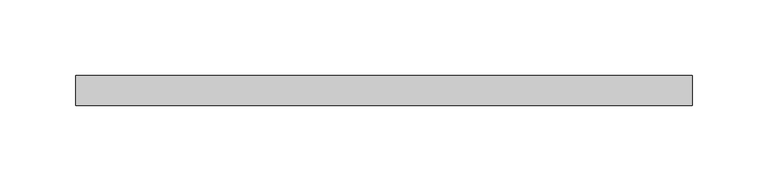
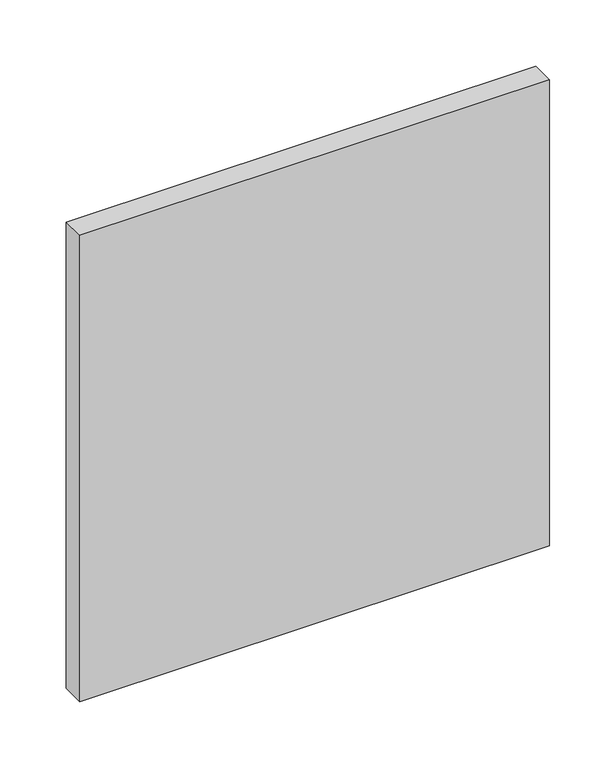
"""IFC4 building model written with IfcOpenShell, lengths in millimetres: plate geometry."""

from ifc_helpers import new_model, si_unit, origin, origin_with_axes, place, context, project, spatial, polyline, outline, extrude, source, transform, mapped, element, save


def plate_0862145d(model_context):
    return source(origin(), model_context, "Body", "SweptSolid", [
        extrude(outline(polyline([(204.1666667, -90.0), (-204.1666667, -90.0), (-204.1666667, -70.0), (204.1666667, -70.0), (204.1666667, -90.0)])), origin_with_axes(), (0.0, 0.0, 1.0), 428.3552083),
    ])


if __name__ == "__main__":
    model = new_model("IFC4")
    model_context = context("Model", 3, world=origin())
    ifc_project = project(units=[si_unit("LENGTHUNIT", "METRE", prefix="MILLI")], contexts=[model_context])
    site = spatial("IfcSite", under=ifc_project)
    building = spatial("IfcBuilding", under=site)
    placement = place(None, origin())
    plate_shape = plate_0862145d(model_context)
    element("IfcPlate", 1, at=placement, inside=building, context=model_context, shape_type="MappedRepresentation", body=[
        mapped(plate_shape, transform((0.0, 0.0, 0.0), x_axis=(1.0, 0.0, 0.0), y_axis=(0.0, 1.0, 0.0), z_axis=(0.0, 0.0, 1.0))),
    ])
    save(model, "model.ifc")
